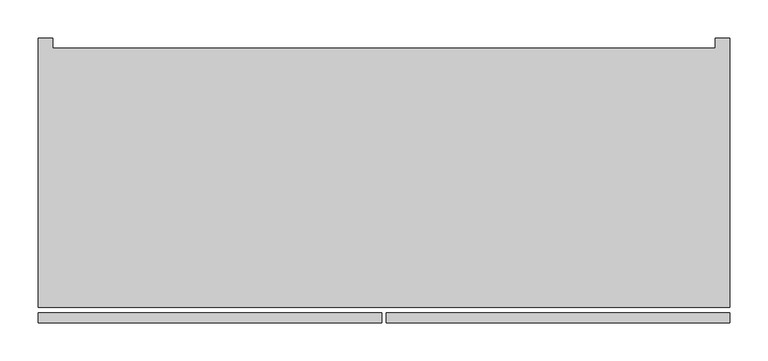
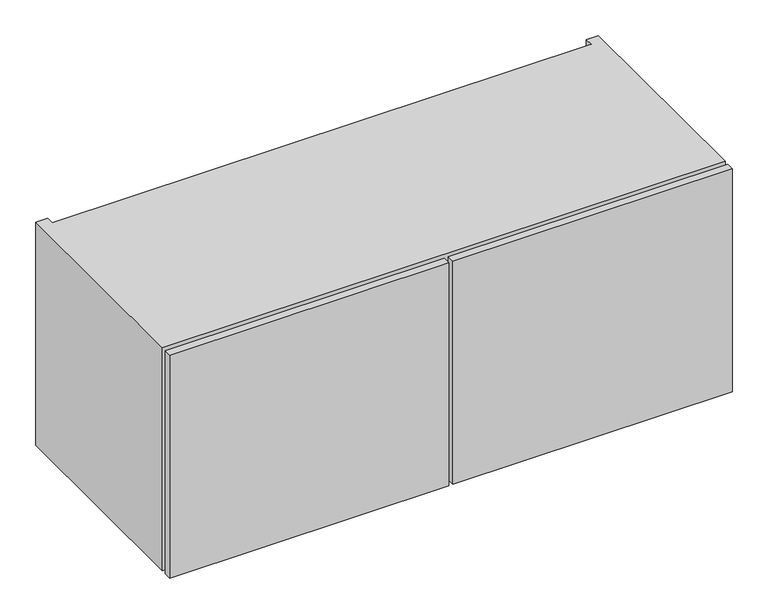
"""IFC4 building model written with IfcOpenShell, lengths in millimetres: furniture geometry."""

from ifc_helpers import new_model, si_unit, frame, origin, place, context, project, spatial, polyline, outline, extrude, faceted_brep, source, transform, mapped, element, save


def furniture_dea60d43(model_context):
    return source(origin(), model_context, "Body", "SolidModel", [
        extrude(outline(polyline([(-5.715, -215.8273724), (-457.2, -215.8273724), (-457.2, -203.1273724), (-5.715, -203.1273724), (-5.715, -215.8273724)])), frame((0.0, 0.0, 889.0), z_axis=(0.0, 0.0, 1.0), x_axis=(1.0, 0.0, 0.0)), (0.0, 0.0, 1.0), 381.0),
        extrude(outline(polyline([(452.12, -215.8273724), (0.635, -215.8273724), (0.635, -203.1273724), (452.12, -203.1273724), (452.12, -215.8273724)])), frame((0.0, 0.0, 889.0), z_axis=(0.0, 0.0, 1.0), x_axis=(1.0, 0.0, 0.0)), (0.0, 0.0, 1.0), 381.0),
        extrude(outline(polyline([(432.816, 145.5282676), (432.816, 126.2242676), (-437.896, 126.2242676), (-437.896, 145.5282676), (432.816, 145.5282676)])), frame((0.0, 0.0, 908.304), z_axis=(0.0, 0.0, 1.0), x_axis=(1.0, 0.0, 0.0)), (0.0, 0.0, 1.0), 342.392),
        faceted_brep([(-457.2, -195.5073724, 1270.0), (-457.2, -195.5073724, 889.0), (452.12, -195.5073724, 889.0), (452.12, -195.5073724, 1270.0), (-437.896, -195.5073724, 1250.696), (432.816, -195.5073724, 1250.696), (432.816, -195.5073724, 908.304), (-437.896, -195.5073724, 908.304), (432.816, 145.5282676, 1250.696), (-437.896, 145.5282676, 1250.696), (-437.896, 145.5282676, 1270.0), (432.816, 145.5282676, 1270.0), (432.816, 145.5282676, 889.0), (-437.896, 145.5282676, 889.0), (-437.896, 145.5282676, 908.304), (432.816, 145.5282676, 908.304), (452.12, 158.8226276, 1270.0), (432.816, 158.8226276, 1270.0), (-437.896, 158.8226276, 1270.0), (-457.2, 158.8226276, 1270.0), (-457.2, 158.8226276, 889.0), (-437.896, 158.8226276, 889.0), (432.816, 158.8226276, 889.0), (452.12, 158.8226276, 889.0)], [[[0, 1, 2, 3], [4, 5, 6, 7]], [[8, 9, 10, 11]], [[12, 13, 14, 15]], [[0, 3, 16, 17, 11, 10, 18, 19]], [[5, 4, 9, 8]], [[7, 6, 15, 14]], [[2, 1, 20, 21, 13, 12, 22, 23]], [[19, 18, 21, 20]], [[0, 19, 20, 1]], [[21, 18, 10, 9, 4, 7, 14, 13]], [[17, 22, 12, 15, 6, 5, 8, 11]], [[16, 3, 2, 23]], [[17, 16, 23, 22]]]),
    ])


if __name__ == "__main__":
    model = new_model("IFC4")
    model_context = context("Model", 3, world=origin())
    ifc_project = project(units=[si_unit("LENGTHUNIT", "METRE", prefix="MILLI")], contexts=[model_context])
    site = spatial("IfcSite", under=ifc_project)
    building = spatial("IfcBuilding", under=site)
    placement = place(None, origin())
    furniture_shape = furniture_dea60d43(model_context)
    element("IfcFurniture", 1, at=placement, inside=building, context=model_context, shape_type="MappedRepresentation", body=[
        mapped(furniture_shape, transform((0.0, 0.0, 0.0), x_axis=(1.0, 0.0, 0.0), y_axis=(0.0, 1.0, 0.0), z_axis=(0.0, 0.0, 1.0))),
    ])
    save(model, "model.ifc")
